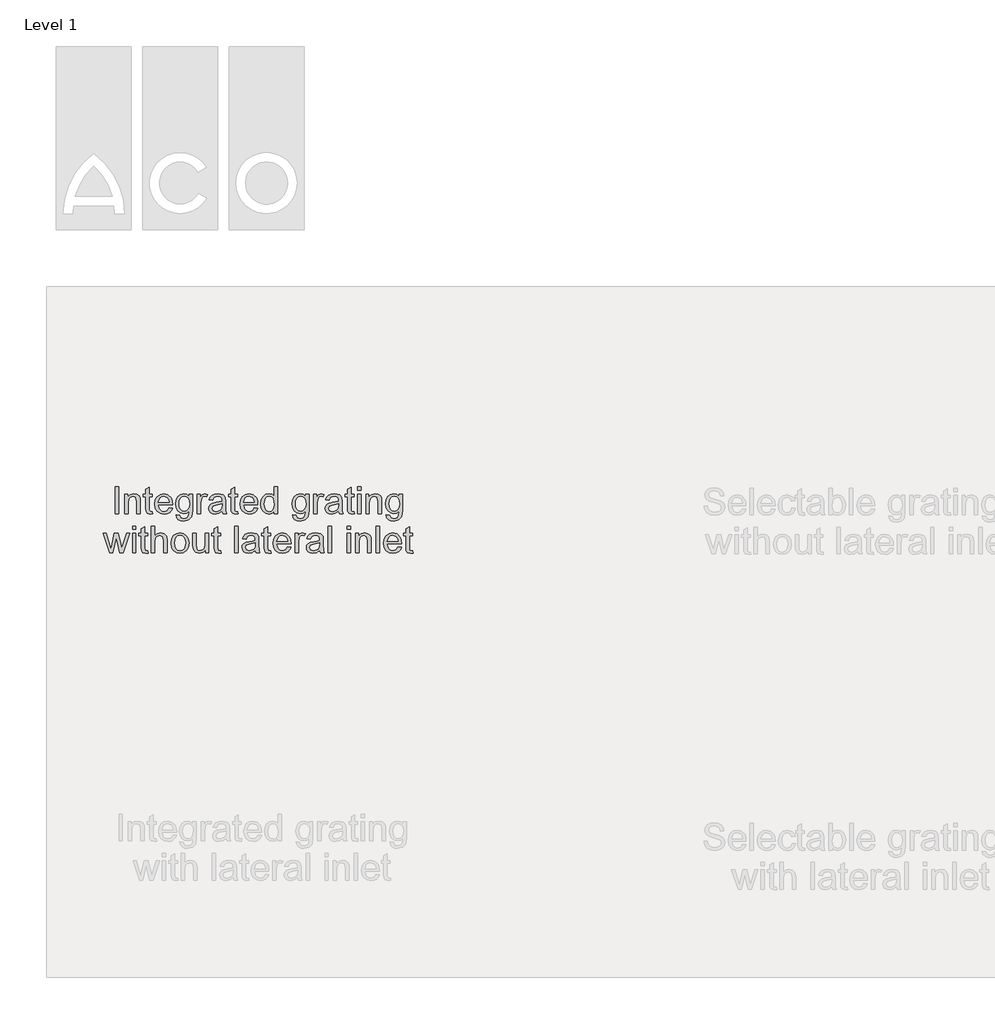
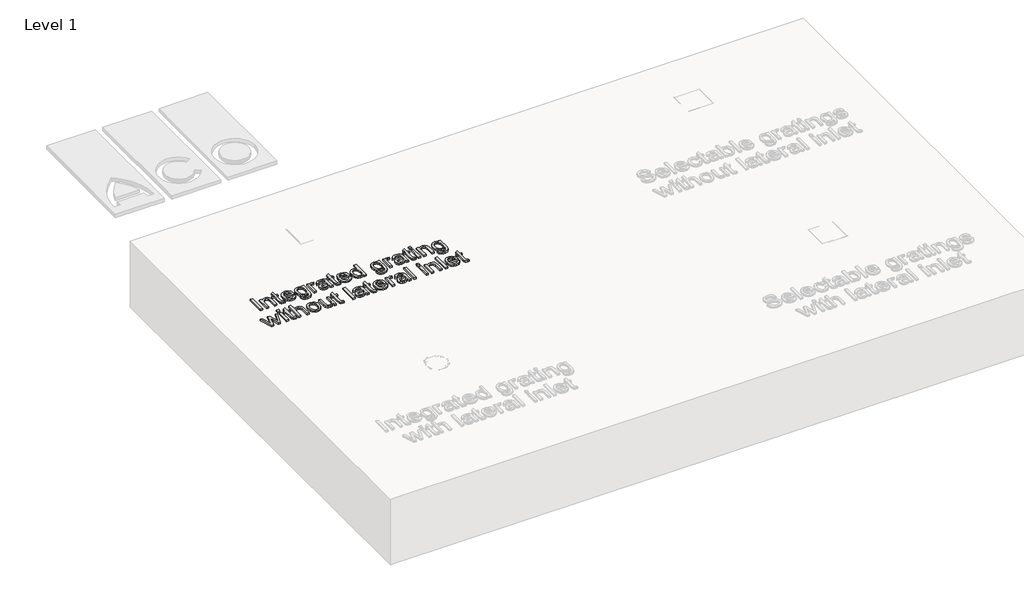
# One storey, part 3 of 5: 1 proxy.
"""IFC4 building model written with IfcOpenShell, lengths in millimetres."""

from ifc_helpers import new_model, si_unit, origin, origin_with_axes, place, context, project, spatial, polyline, outline, extrude, element, save

model = new_model("IFC4")

# Units and contexts
model_context = context("Model", 3, world=origin())
ifc_project = project(units=[si_unit("LENGTHUNIT", "METRE", prefix="MILLI")], contexts=[model_context])

# Site, building, storey
site = spatial("IfcSite", under=ifc_project)
building = spatial("IfcBuilding", under=site)
storey = spatial("IfcBuildingStorey", under=building, Name="Level 1", Elevation=0.0)

# Proxy
placement = place(None, origin())
element("IfcBuildingElementProxy", 1, Name="100mm ACO", ObjectType="100mm ACO", at=placement, inside=storey, context=model_context, shape_type="SweptSolid", body=[
    extrude(outline(polyline([(12184.6066591, 11022.9754278), (12171.6436961, 11022.9754278), (12171.6436961, 11122.9754278), (12184.6066591, 11122.9754278), (12184.6066591, 11022.9754278)])), origin_with_axes(), (0.0, 0.0, 1.0), 10.0),
    extrude(outline(polyline([(12266.0881406, 11022.9754278), (12253.1251776, 11022.9754278), (12253.1251776, 11067.9407056), (12249.2623304, 11083.5367704), (12238.5129091, 11087.7902426), (12228.4868674, 11085.0703352), (12221.7739044, 11077.4025112), (12219.7918443, 11063.3978815), (12219.7918443, 11022.9754278), (12206.8288813, 11022.9754278), (12206.8288813, 11095.19765), (12217.9399924, 11095.19765), (12217.9399924, 11085.1571408), (12227.8358257, 11094.0836454), (12241.0881406, 11097.0495019), (12252.4596683, 11094.9951037), (12261.2559646, 11088.8463769), (12265.2634878, 11080.107951), (12266.0881406, 11067.5645482), (12266.0881406, 11022.9754278)])), origin_with_axes(), (0.0, 0.0, 1.0), 10.0),
    extrude(outline(polyline([(12312.3844369, 11021.9626963), (12303.2987887, 11021.123576), (12291.710247, 11024.0026269), (12287.2686961, 11031.3087612), (12286.4585109, 11043.63515), (12286.4585109, 11085.9383908), (12277.1992517, 11085.9383908), (12277.1992517, 11095.19765), (12286.4585109, 11095.19765), (12286.4585109, 11113.5425574), (12299.4214739, 11121.123576), (12299.4214739, 11095.19765), (12310.532585, 11095.19765), (12310.532585, 11085.9383908), (12299.4214739, 11085.9383908), (12299.4214739, 11041.0309834), (12300.4631406, 11032.8133908), (12305.7582794, 11030.3828352), (12310.7930017, 11030.3828352), (12312.3844369, 11021.9626963)])), origin_with_axes(), (0.0, 0.0, 1.0), 10.0),
    extrude(outline(polyline([(12386.4585109, 11056.3087612), (12332.7548072, 11056.3087612), (12334.8272899, 11045.1831824), (12339.5401081, 11037.0379278), (12346.3217922, 11032.0466084), (12354.600872, 11030.3828352), (12366.2762193, 11034.0720713), (12373.495548, 11045.19765), (12386.4585109, 11043.6930204), (12382.0820642, 11034.0720713), (12375.1448535, 11026.9684834), (12365.9000619, 11022.5848028), (12354.600872, 11021.123576), (12340.0139218, 11023.6300864), (12329.0077007, 11031.1496176), (12322.0958084, 11043.0094267), (12319.7918443, 11058.5367704), (12322.0126197, 11074.0749649), (12328.6749461, 11086.3724186), (12339.3737308, 11094.3802311), (12353.7038813, 11097.0495019), (12368.9237887, 11093.5917473), (12381.3514507, 11081.8151269), (12385.1817459, 11071.2791026), (12386.4585109, 11056.3087612)]), holes=[polyline([(12373.495548, 11065.5680204), (12371.4122146, 11075.7242704), (12366.6668443, 11082.5819093), (12353.3855943, 11087.7902426), (12345.5296915, 11086.2422102), (12339.2073535, 11081.598113), (12332.7548072, 11065.5680204), (12373.495548, 11065.5680204)])]), origin_with_axes(), (0.0, 0.0, 1.0), 10.0),
    extrude(outline(polyline([(12460.532585, 11033.623576), (12457.479923, 11010.9817936), (12446.6147609, 10999.3498491), (12427.9515665, 10995.19765), (12416.7355653, 10996.6046234), (12407.5667285, 11000.8255436), (12401.4577875, 11008.2510355), (12399.4214739, 11019.2717241), (12412.3844369, 11017.217326), (12416.9561961, 11007.6542473), (12428.1541128, 11004.4569093), (12441.464298, 11008.1461454), (12446.6292285, 11017.1305204), (12447.569622, 11031.7427889), (12438.7950271, 11025.1672681), (12427.9805017, 11022.9754278), (12415.5890086, 11025.5868283), (12405.9029554, 11033.4210297), (12399.6529554, 11045.233819), (12397.569622, 11059.7809834), (12399.5516822, 11074.4221871), (12405.4978628, 11086.4013537), (12414.9452007, 11094.3874649), (12427.4307331, 11097.0495019), (12438.5056753, 11094.6695829), (12447.3092054, 11087.529826), (12447.569622, 11095.19765), (12460.532585, 11095.19765), (12460.532585, 11033.623576)]), holes=[polyline([(12429.9191591, 11032.2346871), (12437.131254, 11033.8405899), (12443.4897609, 11038.6582982), (12447.9385456, 11047.2520482), (12449.4214739, 11060.186076), (12448.0072667, 11071.973547), (12443.7646452, 11080.6577195), (12437.4386903, 11086.0071118), (12429.7744831, 11087.7902426), (12422.0524056, 11085.9637091), (12415.9000619, 11080.4841084), (12411.8744542, 11071.8288711), (12410.532585, 11060.4754278), (12411.9395584, 11047.7584139), (12416.1604785, 11039.0055204), (12422.4140954, 11033.9273954), (12429.9191591, 11032.2346871)])]), origin_with_axes(), (0.0, 0.0, 1.0), 10.0),
    extrude(outline(polyline([(12517.9399924, 11094.2138537), (12513.8890665, 11085.9383908), (12505.382122, 11087.7902426), (12499.5878512, 11086.1626385), (12495.3994831, 11081.279826), (12492.0140665, 11063.0506593), (12492.0140665, 11022.9754278), (12479.0511035, 11022.9754278), (12479.0511035, 11095.19765), (12490.1622146, 11095.19765), (12490.1622146, 11084.4916315), (12497.0921915, 11093.9100343), (12505.526798, 11097.0495019), (12517.9399924, 11094.2138537)])), origin_with_axes(), (0.0, 0.0, 1.0), 10.0),
    extrude(outline(polyline([(12588.3103628, 11022.9754278), (12575.3473998, 11022.9754278), (12571.6436961, 11031.7138537), (12559.1509299, 11023.7711454), (12545.688835, 11021.123576), (12535.7025792, 11022.5703352), (12528.0817748, 11026.910613), (12523.2532158, 11033.623576), (12521.6436961, 11042.1883908), (12523.2206637, 11050.4964058), (12527.9515665, 11057.1912843), (12536.5814855, 11062.0849475), (12549.8555017, 11064.9893167), (12561.1980943, 11066.7254278), (12571.6436961, 11069.2717241), (12571.3109415, 11077.301238), (12569.3722841, 11082.1768167), (12564.2073535, 11086.2422102), (12554.6298072, 11087.7902426), (12542.5493674, 11084.650775), (12536.4585109, 11072.9754278), (12523.495548, 11074.566863), (12527.0509588, 11084.3758908), (12533.7241359, 11091.4071408), (12543.5078454, 11095.6389116), (12556.3948535, 11097.0495019), (12575.6512193, 11093.1866547), (12583.2033026, 11083.869525), (12584.6066591, 11069.8214926), (12584.6066591, 11053.2995019), (12585.1564276, 11033.0448723), (12588.3103628, 11022.9754278)]), holes=[polyline([(12571.6436961, 11055.3828352), (12571.6436961, 11060.0124649), (12548.3653396, 11054.6883908), (12538.0463292, 11050.6302311), (12534.6066591, 11042.3909371), (12538.3103628, 11033.7682519), (12548.9874461, 11030.3828352), (12564.8005248, 11036.0541315), (12569.9329033, 11043.7219556), (12571.6436961, 11055.3828352)])]), origin_with_axes(), (0.0, 0.0, 1.0), 10.0),
    extrude(outline(polyline([(12630.9029554, 11021.9626963), (12621.8173072, 11021.123576), (12610.2287656, 11024.0026269), (12605.7872146, 11031.3087612), (12604.9770294, 11043.63515), (12604.9770294, 11085.9383908), (12595.7177702, 11085.9383908), (12595.7177702, 11095.19765), (12604.9770294, 11095.19765), (12604.9770294, 11113.5425574), (12617.9399924, 11121.123576), (12617.9399924, 11095.19765), (12629.0511035, 11095.19765), (12629.0511035, 11085.9383908), (12617.9399924, 11085.9383908), (12617.9399924, 11041.0309834), (12618.9816591, 11032.8133908), (12624.276798, 11030.3828352), (12629.3115202, 11030.3828352), (12630.9029554, 11021.9626963)])), origin_with_axes(), (0.0, 0.0, 1.0), 10.0),
    extrude(outline(polyline([(12704.9770294, 11056.3087612), (12651.2733257, 11056.3087612), (12653.3458084, 11045.1831824), (12658.0586267, 11037.0379278), (12664.8403107, 11032.0466084), (12673.1193906, 11030.3828352), (12684.7947378, 11034.0720713), (12692.0140665, 11045.19765), (12704.9770294, 11043.6930204), (12700.6005827, 11034.0720713), (12693.663372, 11026.9684834), (12684.4185804, 11022.5848028), (12673.1193906, 11021.123576), (12658.5324403, 11023.6300864), (12647.5262193, 11031.1496176), (12640.6143269, 11043.0094267), (12638.3103628, 11058.5367704), (12640.5311382, 11074.0749649), (12647.1934646, 11086.3724186), (12657.8922494, 11094.3802311), (12672.2223998, 11097.0495019), (12687.4423072, 11093.5917473), (12699.8699693, 11081.8151269), (12703.7002644, 11071.2791026), (12704.9770294, 11056.3087612)]), holes=[polyline([(12692.0140665, 11065.5680204), (12689.9307331, 11075.7242704), (12685.1853628, 11082.5819093), (12671.9041128, 11087.7902426), (12664.04821, 11086.2422102), (12657.725872, 11081.598113), (12651.2733257, 11065.5680204), (12692.0140665, 11065.5680204)])]), origin_with_axes(), (0.0, 0.0, 1.0), 10.0),
    extrude(outline(polyline([(12779.0511035, 11022.9754278), (12766.0881406, 11022.9754278), (12766.0881406, 11031.13515), (12757.7331058, 11023.6264695), (12746.3543443, 11021.123576), (12734.4873014, 11023.7639116), (12724.7542285, 11031.6849186), (12718.2546625, 11043.8159949), (12716.0881406, 11059.0865389), (12718.1642401, 11074.8272797), (12724.3925387, 11086.8643167), (12734.0279554, 11094.5032056), (12746.3254091, 11097.0495019), (12757.6101313, 11094.7636223), (12765.8277239, 11087.9059834), (12766.0881406, 11122.9754278), (12779.0511035, 11122.9754278), (12779.0511035, 11022.9754278)]), holes=[polyline([(12747.8589739, 11030.3828352), (12754.9119253, 11032.0900112), (12760.7930017, 11037.2115389), (12764.7643558, 11045.8052889), (12766.0881406, 11057.9291315), (12761.241497, 11079.6883908), (12755.3423362, 11085.7647797), (12747.3381406, 11087.7902426), (12739.3918153, 11085.8081824), (12733.6662656, 11079.8620019), (12729.0511035, 11059.0576037), (12731.5395294, 11043.3023954), (12738.4839739, 11033.623576), (12747.8589739, 11030.3828352)])]), origin_with_axes(), (0.0, 0.0, 1.0), 10.0),
    extrude(outline(polyline([(12895.7177702, 11033.623576), (12892.6651081, 11010.9817936), (12881.7999461, 10999.3498491), (12863.1367517, 10995.19765), (12851.9207505, 10996.6046234), (12842.7519137, 11000.8255436), (12836.6429727, 11008.2510355), (12834.6066591, 11019.2717241), (12847.569622, 11017.217326), (12852.1413813, 11007.6542473), (12863.339298, 11004.4569093), (12876.6494831, 11008.1461454), (12881.8144137, 11017.1305204), (12882.7548072, 11031.7427889), (12873.9802123, 11025.1672681), (12863.1656869, 11022.9754278), (12850.7741938, 11025.5868283), (12841.0881406, 11033.4210297), (12834.8381406, 11045.233819), (12832.7548072, 11059.7809834), (12834.7368674, 11074.4221871), (12840.683048, 11086.4013537), (12850.1303859, 11094.3874649), (12862.6159183, 11097.0495019), (12873.6908605, 11094.6695829), (12882.4943906, 11087.529826), (12882.7548072, 11095.19765), (12895.7177702, 11095.19765), (12895.7177702, 11033.623576)]), holes=[polyline([(12865.1043443, 11032.2346871), (12872.3164392, 11033.8405899), (12878.6749461, 11038.6582982), (12883.1237308, 11047.2520482), (12884.6066591, 11060.186076), (12883.1924519, 11071.973547), (12878.9498304, 11080.6577195), (12872.6238755, 11086.0071118), (12864.9596683, 11087.7902426), (12857.2375908, 11085.9637091), (12851.085247, 11080.4841084), (12847.0596394, 11071.8288711), (12845.7177702, 11060.4754278), (12847.1247436, 11047.7584139), (12851.3456637, 11039.0055204), (12857.5992806, 11033.9273954), (12865.1043443, 11032.2346871)])]), origin_with_axes(), (0.0, 0.0, 1.0), 10.0),
    extrude(outline(polyline([(12953.1251776, 11094.2138537), (12949.0742517, 11085.9383908), (12940.5673072, 11087.7902426), (12934.7730364, 11086.1626385), (12930.5846683, 11081.279826), (12927.1992517, 11063.0506593), (12927.1992517, 11022.9754278), (12914.2362887, 11022.9754278), (12914.2362887, 11095.19765), (12925.3473998, 11095.19765), (12925.3473998, 11084.4916315), (12932.2773767, 11093.9100343), (12940.7119831, 11097.0495019), (12953.1251776, 11094.2138537)])), origin_with_axes(), (0.0, 0.0, 1.0), 10.0),
    extrude(outline(polyline([(13023.495548, 11022.9754278), (13010.532585, 11022.9754278), (13006.8288813, 11031.7138537), (12994.3361151, 11023.7711454), (12980.8740202, 11021.123576), (12970.8877644, 11022.5703352), (12963.26696, 11026.910613), (12958.438401, 11033.623576), (12956.8288813, 11042.1883908), (12958.4058489, 11050.4964058), (12963.1367517, 11057.1912843), (12971.7666706, 11062.0849475), (12985.0406869, 11064.9893167), (12996.3832794, 11066.7254278), (13006.8288813, 11069.2717241), (13006.4961267, 11077.301238), (13004.5574693, 11082.1768167), (12999.3925387, 11086.2422102), (12989.8149924, 11087.7902426), (12977.7345526, 11084.650775), (12971.6436961, 11072.9754278), (12958.6807331, 11074.566863), (12962.236144, 11084.3758908), (12968.9093211, 11091.4071408), (12978.6930306, 11095.6389116), (12991.5800387, 11097.0495019), (13010.8364044, 11093.1866547), (13018.3884878, 11083.869525), (13019.7918443, 11069.8214926), (13019.7918443, 11053.2995019), (13020.3416128, 11033.0448723), (13023.495548, 11022.9754278)]), holes=[polyline([(13006.8288813, 11055.3828352), (13006.8288813, 11060.0124649), (12983.5505248, 11054.6883908), (12973.2315144, 11050.6302311), (12969.7918443, 11042.3909371), (12973.495548, 11033.7682519), (12984.1726313, 11030.3828352), (12999.98571, 11036.0541315), (13005.1180885, 11043.7219556), (13006.8288813, 11055.3828352)])]), origin_with_axes(), (0.0, 0.0, 1.0), 10.0),
    extrude(outline(polyline([(13066.0881406, 11021.9626963), (13057.0024924, 11021.123576), (13045.4139507, 11024.0026269), (13040.9723998, 11031.3087612), (13040.1622146, 11043.63515), (13040.1622146, 11085.9383908), (13030.9029554, 11085.9383908), (13030.9029554, 11095.19765), (13040.1622146, 11095.19765), (13040.1622146, 11113.5425574), (13053.1251776, 11121.123576), (13053.1251776, 11095.19765), (13064.2362887, 11095.19765), (13064.2362887, 11085.9383908), (13053.1251776, 11085.9383908), (13053.1251776, 11041.0309834), (13054.1668443, 11032.8133908), (13059.4619831, 11030.3828352), (13064.4967054, 11030.3828352), (13066.0881406, 11021.9626963)])), origin_with_axes(), (0.0, 0.0, 1.0), 10.0),
    extrude(outline(polyline([(13090.1622146, 11022.9754278), (13077.1992517, 11022.9754278), (13077.1992517, 11095.19765), (13090.1622146, 11095.19765), (13090.1622146, 11022.9754278)])), origin_with_axes(), (0.0, 0.0, 1.0), 10.0),
    extrude(outline(polyline([(13090.1622146, 11110.0124649), (13077.1992517, 11110.0124649), (13077.1992517, 11122.9754278), (13090.1622146, 11122.9754278), (13090.1622146, 11110.0124649)])), origin_with_axes(), (0.0, 0.0, 1.0), 10.0),
    extrude(outline(polyline([(13167.9399924, 11022.9754278), (13154.9770294, 11022.9754278), (13154.9770294, 11067.9407056), (13151.1141822, 11083.5367704), (13140.3647609, 11087.7902426), (13130.3387193, 11085.0703352), (13123.6257563, 11077.4025112), (13121.6436961, 11063.3978815), (13121.6436961, 11022.9754278), (13108.6807331, 11022.9754278), (13108.6807331, 11095.19765), (13119.7918443, 11095.19765), (13119.7918443, 11085.1571408), (13129.6876776, 11094.0836454), (13142.9399924, 11097.0495019), (13154.3115202, 11094.9951037), (13163.1078165, 11088.8463769), (13167.1153396, 11080.107951), (13167.9399924, 11067.5645482), (13167.9399924, 11022.9754278)])), origin_with_axes(), (0.0, 0.0, 1.0), 10.0),
    extrude(outline(polyline([(13245.7177702, 11033.623576), (13242.6651081, 11010.9817936), (13231.7999461, 10999.3498491), (13213.1367517, 10995.19765), (13201.9207505, 10996.6046234), (13192.7519137, 11000.8255436), (13186.6429727, 11008.2510355), (13184.6066591, 11019.2717241), (13197.569622, 11017.217326), (13202.1413813, 11007.6542473), (13213.339298, 11004.4569093), (13226.6494831, 11008.1461454), (13231.8144137, 11017.1305204), (13232.7548072, 11031.7427889), (13223.9802123, 11025.1672681), (13213.1656869, 11022.9754278), (13200.7741938, 11025.5868283), (13191.0881406, 11033.4210297), (13184.8381406, 11045.233819), (13182.7548072, 11059.7809834), (13184.7368674, 11074.4221871), (13190.683048, 11086.4013537), (13200.1303859, 11094.3874649), (13212.6159183, 11097.0495019), (13223.6908605, 11094.6695829), (13232.4943906, 11087.529826), (13232.7548072, 11095.19765), (13245.7177702, 11095.19765), (13245.7177702, 11033.623576)]), holes=[polyline([(13215.1043443, 11032.2346871), (13222.3164392, 11033.8405899), (13228.6749461, 11038.6582982), (13233.1237308, 11047.2520482), (13234.6066591, 11060.186076), (13233.1924519, 11071.973547), (13228.9498304, 11080.6577195), (13222.6238755, 11086.0071118), (13214.9596683, 11087.7902426), (13207.2375908, 11085.9637091), (13201.085247, 11080.4841084), (13197.0596394, 11071.8288711), (13195.7177702, 11060.4754278), (13197.1247436, 11047.7584139), (13201.3456637, 11039.0055204), (13207.5992806, 11033.9273954), (13215.1043443, 11032.2346871)])]), origin_with_axes(), (0.0, 0.0, 1.0), 10.0),
    extrude(outline(polyline([(12225.8103628, 10948.9013537), (12201.620548, 10876.6791315), (12189.3520294, 10876.6791315), (12178.8485572, 10920.0819093), (12177.5320063, 10925.9412843), (12176.2733257, 10932.3504278), (12163.5129091, 10876.6791315), (12151.2443906, 10876.6791315), (12126.7362887, 10948.9013537), (12138.2814276, 10948.9013537), (12155.9029554, 10891.6675574), (12158.0152239, 10901.4187149), (12169.0684646, 10948.9013537), (12183.5649924, 10948.9013537), (12192.3323535, 10911.0251963), (12196.4122146, 10893.2300574), (12214.2362887, 10948.9013537), (12225.8103628, 10948.9013537)])), origin_with_axes(), (0.0, 0.0, 1.0), 10.0),
    extrude(outline(polyline([(12249.4214739, 10876.6791315), (12236.4585109, 10876.6791315), (12236.4585109, 10948.9013537), (12249.4214739, 10948.9013537), (12249.4214739, 10876.6791315)])), origin_with_axes(), (0.0, 0.0, 1.0), 10.0),
    extrude(outline(polyline([(12249.4214739, 10963.7161686), (12236.4585109, 10963.7161686), (12236.4585109, 10976.6791315), (12249.4214739, 10976.6791315), (12249.4214739, 10963.7161686)])), origin_with_axes(), (0.0, 0.0, 1.0), 10.0),
    extrude(outline(polyline([(12295.7177702, 10875.6664), (12286.632122, 10874.8272797), (12275.0435804, 10877.7063306), (12270.6020294, 10885.0124649), (12269.7918443, 10897.3388537), (12269.7918443, 10939.6420945), (12260.532585, 10939.6420945), (12260.532585, 10948.9013537), (12269.7918443, 10948.9013537), (12269.7918443, 10967.2462612), (12282.7548072, 10974.8272797), (12282.7548072, 10948.9013537), (12293.8659183, 10948.9013537), (12293.8659183, 10939.6420945), (12282.7548072, 10939.6420945), (12282.7548072, 10894.7346871), (12283.7964739, 10886.5170945), (12289.0916128, 10884.0865389), (12294.126335, 10884.0865389), (12295.7177702, 10875.6664)])), origin_with_axes(), (0.0, 0.0, 1.0), 10.0),
    extrude(outline(polyline([(12366.0881406, 10876.6791315), (12353.1251776, 10876.6791315), (12353.1251776, 10923.3805204), (12349.4359415, 10936.9655899), (12338.4261035, 10941.4939463), (12325.4920757, 10936.1554047), (12321.2169021, 10928.722679), (12319.7918443, 10917.1015852), (12319.7918443, 10876.6791315), (12306.8288813, 10876.6791315), (12306.8288813, 10976.6791315), (12319.7918443, 10976.6791315), (12319.7918443, 10940.8573723), (12329.4923651, 10948.2792473), (12341.3485572, 10950.7532056), (12354.6298072, 10947.8886223), (12363.5273767, 10939.0778584), (12366.0881406, 10922.5703352), (12366.0881406, 10876.6791315)])), origin_with_axes(), (0.0, 0.0, 1.0), 10.0),
    extrude(outline(polyline([(12414.2073535, 10950.7532056), (12427.3837135, 10948.358819), (12438.0933489, 10941.1756593), (12445.2005538, 10929.5798838), (12447.569622, 10913.94765), (12445.0052413, 10895.6750806), (12437.3120989, 10883.6814463), (12426.407151, 10877.0408213), (12414.2073535, 10874.8272797), (12401.6169311, 10877.1023086), (12390.8132563, 10883.9273954), (12383.3805306, 10895.6931651), (12380.9029554, 10912.7902426), (12383.2973419, 10929.5075459), (12390.4805017, 10941.3492704), (12401.2009878, 10948.4022218), (12414.2073535, 10950.7532056)]), holes=[polyline([(12414.2073535, 10884.0865389), (12423.0145005, 10886.0939174), (12429.4127933, 10892.1160528), (12434.6066591, 10913.2532056), (12433.1381984, 10925.5361917), (12428.7328165, 10934.3758908), (12422.1645294, 10939.7144324), (12414.2073535, 10941.4939463), (12406.094651, 10939.6891142), (12399.5806174, 10934.2746176), (12395.2945931, 10925.2866257), (12393.8659183, 10912.7613074), (12395.3199114, 10900.2793919), (12399.6818906, 10891.3058676), (12406.2212424, 10885.8913711), (12414.2073535, 10884.0865389)])]), origin_with_axes(), (0.0, 0.0, 1.0), 10.0),
    extrude(outline(polyline([(12521.6436961, 10876.6791315), (12510.532585, 10876.6791315), (12510.532585, 10887.1826037), (12500.2895294, 10877.9161107), (12487.3265665, 10874.8272797), (12473.2061961, 10878.3429047), (12464.5545757, 10888.0217241), (12462.3844369, 10904.0228815), (12462.3844369, 10948.9013537), (12475.3473998, 10948.9013537), (12475.3473998, 10907.9291315), (12476.2443906, 10893.8376963), (12480.9318906, 10886.8353815), (12489.9596683, 10884.0865389), (12502.7056174, 10889.0055204), (12507.1869542, 10896.5576037), (12508.6807331, 10909.3758908), (12508.6807331, 10948.9013537), (12521.6436961, 10948.9013537), (12521.6436961, 10876.6791315)])), origin_with_axes(), (0.0, 0.0, 1.0), 10.0),
    extrude(outline(polyline([(12567.9399924, 10875.6664), (12558.8543443, 10874.8272797), (12547.2658026, 10877.7063306), (12542.8242517, 10885.0124649), (12542.0140665, 10897.3388537), (12542.0140665, 10939.6420945), (12532.7548072, 10939.6420945), (12532.7548072, 10948.9013537), (12542.0140665, 10948.9013537), (12542.0140665, 10967.2462612), (12554.9770294, 10974.8272797), (12554.9770294, 10948.9013537), (12566.0881406, 10948.9013537), (12566.0881406, 10939.6420945), (12554.9770294, 10939.6420945), (12554.9770294, 10894.7346871), (12556.0186961, 10886.5170945), (12561.313835, 10884.0865389), (12566.3485572, 10884.0865389), (12567.9399924, 10875.6664)])), origin_with_axes(), (0.0, 0.0, 1.0), 10.0),
    extrude(outline(polyline([(12630.9029554, 10876.6791315), (12617.9399924, 10876.6791315), (12617.9399924, 10976.6791315), (12630.9029554, 10976.6791315), (12630.9029554, 10876.6791315)])), origin_with_axes(), (0.0, 0.0, 1.0), 10.0),
    extrude(outline(polyline([(12712.3844369, 10876.6791315), (12699.4214739, 10876.6791315), (12695.7177702, 10885.4175574), (12683.225004, 10877.4748491), (12669.7629091, 10874.8272797), (12659.7766533, 10876.2740389), (12652.1558489, 10880.6143167), (12647.3272899, 10887.3272797), (12645.7177702, 10895.8920945), (12647.2947378, 10904.2001095), (12652.0256406, 10910.894988), (12660.6555595, 10915.7886512), (12673.9295757, 10918.6930204), (12685.2721683, 10920.4291315), (12695.7177702, 10922.9754278), (12695.3850156, 10931.0049417), (12693.4463581, 10935.8805204), (12688.2814276, 10939.9459139), (12678.7038813, 10941.4939463), (12666.6234415, 10938.3544787), (12660.532585, 10926.6791315), (12647.569622, 10928.2705667), (12651.1250329, 10938.0795945), (12657.79821, 10945.1108445), (12667.5819195, 10949.3426153), (12680.4689276, 10950.7532056), (12699.7252933, 10946.8903584), (12707.2773767, 10937.5732287), (12708.6807331, 10923.5251963), (12708.6807331, 10907.0032056), (12709.2305017, 10886.748576), (12712.3844369, 10876.6791315)]), holes=[polyline([(12695.7177702, 10909.0865389), (12695.7177702, 10913.7161686), (12672.4394137, 10908.3920945), (12662.1204033, 10904.3339348), (12658.6807331, 10896.0946408), (12662.3844369, 10887.4719556), (12673.0615202, 10884.0865389), (12688.8745989, 10889.7578352), (12694.0069774, 10897.4256593), (12695.7177702, 10909.0865389)])]), origin_with_axes(), (0.0, 0.0, 1.0), 10.0),
    extrude(outline(polyline([(12754.9770294, 10875.6664), (12745.8913813, 10874.8272797), (12734.3028396, 10877.7063306), (12729.8612887, 10885.0124649), (12729.0511035, 10897.3388537), (12729.0511035, 10939.6420945), (12719.7918443, 10939.6420945), (12719.7918443, 10948.9013537), (12729.0511035, 10948.9013537), (12729.0511035, 10967.2462612), (12742.0140665, 10974.8272797), (12742.0140665, 10948.9013537), (12753.1251776, 10948.9013537), (12753.1251776, 10939.6420945), (12742.0140665, 10939.6420945), (12742.0140665, 10894.7346871), (12743.0557331, 10886.5170945), (12748.350872, 10884.0865389), (12753.3855943, 10884.0865389), (12754.9770294, 10875.6664)])), origin_with_axes(), (0.0, 0.0, 1.0), 10.0),
    extrude(outline(polyline([(12829.0511035, 10910.0124649), (12775.3473998, 10910.0124649), (12777.4198825, 10898.8868862), (12782.1327007, 10890.7416315), (12788.9143848, 10885.7503121), (12797.1934646, 10884.0865389), (12808.8688119, 10887.775775), (12816.0881406, 10898.9013537), (12829.0511035, 10897.3967241), (12824.6746568, 10887.775775), (12817.7374461, 10880.6721871), (12808.4926544, 10876.2885065), (12797.1934646, 10874.8272797), (12782.6065144, 10877.3337901), (12771.6002933, 10884.8533213), (12764.688401, 10896.7131304), (12762.3844369, 10912.2404741), (12764.6052123, 10927.7786686), (12771.2675387, 10940.0761223), (12781.9663234, 10948.0839348), (12796.2964739, 10950.7532056), (12811.5163813, 10947.295451), (12823.9440433, 10935.5188306), (12827.7743385, 10924.9828063), (12829.0511035, 10910.0124649)]), holes=[polyline([(12816.0881406, 10919.2717241), (12814.0048072, 10929.4279741), (12809.2594369, 10936.285613), (12795.9781869, 10941.4939463), (12788.1222841, 10939.9459139), (12781.7999461, 10935.3018167), (12775.3473998, 10919.2717241), (12816.0881406, 10919.2717241)])]), origin_with_axes(), (0.0, 0.0, 1.0), 10.0),
    extrude(outline(polyline([(12882.7548072, 10947.9175574), (12878.7038813, 10939.6420945), (12870.1969369, 10941.4939463), (12864.402666, 10939.8663422), (12860.214298, 10934.9835297), (12856.8288813, 10916.754363), (12856.8288813, 10876.6791315), (12843.8659183, 10876.6791315), (12843.8659183, 10948.9013537), (12854.9770294, 10948.9013537), (12854.9770294, 10938.1953352), (12861.9070063, 10947.613738), (12870.3416128, 10950.7532056), (12882.7548072, 10947.9175574)])), origin_with_axes(), (0.0, 0.0, 1.0), 10.0),
    extrude(outline(polyline([(12953.1251776, 10876.6791315), (12940.1622146, 10876.6791315), (12936.4585109, 10885.4175574), (12923.9657447, 10877.4748491), (12910.5036498, 10874.8272797), (12900.517394, 10876.2740389), (12892.8965896, 10880.6143167), (12888.0680306, 10887.3272797), (12886.4585109, 10895.8920945), (12888.0354785, 10904.2001095), (12892.7663813, 10910.894988), (12901.3963003, 10915.7886512), (12914.6703165, 10918.6930204), (12926.0129091, 10920.4291315), (12936.4585109, 10922.9754278), (12936.1257563, 10931.0049417), (12934.1870989, 10935.8805204), (12929.0221683, 10939.9459139), (12919.444622, 10941.4939463), (12907.3641822, 10938.3544787), (12901.2733257, 10926.6791315), (12888.3103628, 10928.2705667), (12891.8657737, 10938.0795945), (12898.5389507, 10945.1108445), (12908.3226602, 10949.3426153), (12921.2096683, 10950.7532056), (12940.4660341, 10946.8903584), (12948.0181174, 10937.5732287), (12949.4214739, 10923.5251963), (12949.4214739, 10907.0032056), (12949.9712424, 10886.748576), (12953.1251776, 10876.6791315)]), holes=[polyline([(12936.4585109, 10909.0865389), (12936.4585109, 10913.7161686), (12913.1801544, 10908.3920945), (12902.861144, 10904.3339348), (12899.4214739, 10896.0946408), (12903.1251776, 10887.4719556), (12913.8022609, 10884.0865389), (12929.6153396, 10889.7578352), (12934.7477181, 10897.4256593), (12936.4585109, 10909.0865389)])]), origin_with_axes(), (0.0, 0.0, 1.0), 10.0),
    extrude(outline(polyline([(12980.9029554, 10876.6791315), (12967.9399924, 10876.6791315), (12967.9399924, 10976.6791315), (12980.9029554, 10976.6791315), (12980.9029554, 10876.6791315)])), origin_with_axes(), (0.0, 0.0, 1.0), 10.0),
    extrude(outline(polyline([(13051.2733257, 10963.7161686), (13038.3103628, 10963.7161686), (13038.3103628, 10976.6791315), (13051.2733257, 10976.6791315), (13051.2733257, 10963.7161686)])), origin_with_axes(), (0.0, 0.0, 1.0), 10.0),
    extrude(outline(polyline([(13051.2733257, 10876.6791315), (13038.3103628, 10876.6791315), (13038.3103628, 10948.9013537), (13051.2733257, 10948.9013537), (13051.2733257, 10876.6791315)])), origin_with_axes(), (0.0, 0.0, 1.0), 10.0),
    extrude(outline(polyline([(13129.0511035, 10876.6791315), (13116.0881406, 10876.6791315), (13116.0881406, 10921.6444093), (13112.2252933, 10937.2404741), (13101.475872, 10941.4939463), (13091.4498304, 10938.7740389), (13084.7368674, 10931.1062149), (13082.7548072, 10917.1015852), (13082.7548072, 10876.6791315), (13069.7918443, 10876.6791315), (13069.7918443, 10948.9013537), (13080.9029554, 10948.9013537), (13080.9029554, 10938.8608445), (13090.7987887, 10947.7873491), (13104.0511035, 10950.7532056), (13115.4226313, 10948.6988074), (13124.2189276, 10942.5500806), (13128.2264507, 10933.8116547), (13129.0511035, 10921.2682519), (13129.0511035, 10876.6791315)])), origin_with_axes(), (0.0, 0.0, 1.0), 10.0),
    extrude(outline(polyline([(13160.532585, 10876.6791315), (13147.569622, 10876.6791315), (13147.569622, 10976.6791315), (13160.532585, 10976.6791315), (13160.532585, 10876.6791315)])), origin_with_axes(), (0.0, 0.0, 1.0), 10.0),
    extrude(outline(polyline([(13242.0140665, 10910.0124649), (13188.3103628, 10910.0124649), (13190.3828454, 10898.8868862), (13195.0956637, 10890.7416315), (13201.8773477, 10885.7503121), (13210.1564276, 10884.0865389), (13221.8317748, 10887.775775), (13229.0511035, 10898.9013537), (13242.0140665, 10897.3967241), (13237.6376197, 10887.775775), (13230.7004091, 10880.6721871), (13221.4556174, 10876.2885065), (13210.1564276, 10874.8272797), (13195.5694774, 10877.3337901), (13184.5632563, 10884.8533213), (13177.6513639, 10896.7131304), (13175.3473998, 10912.2404741), (13177.5681753, 10927.7786686), (13184.2305017, 10940.0761223), (13194.9292864, 10948.0839348), (13209.2594369, 10950.7532056), (13224.4793443, 10947.295451), (13236.9070063, 10935.5188306), (13240.7373014, 10924.9828063), (13242.0140665, 10910.0124649)]), holes=[polyline([(13229.0511035, 10919.2717241), (13226.9677702, 10929.4279741), (13222.2223998, 10936.285613), (13208.9411498, 10941.4939463), (13201.085247, 10939.9459139), (13194.7629091, 10935.3018167), (13188.3103628, 10919.2717241), (13229.0511035, 10919.2717241)])]), origin_with_axes(), (0.0, 0.0, 1.0), 10.0),
    extrude(outline(polyline([(13284.6066591, 10875.6664), (13275.5210109, 10874.8272797), (13263.9324693, 10877.7063306), (13259.4909183, 10885.0124649), (13258.6807331, 10897.3388537), (13258.6807331, 10939.6420945), (13249.4214739, 10939.6420945), (13249.4214739, 10948.9013537), (13258.6807331, 10948.9013537), (13258.6807331, 10967.2462612), (13271.6436961, 10974.8272797), (13271.6436961, 10948.9013537), (13282.7548072, 10948.9013537), (13282.7548072, 10939.6420945), (13271.6436961, 10939.6420945), (13271.6436961, 10894.7346871), (13272.6853628, 10886.5170945), (13277.9805017, 10884.0865389), (13283.0152239, 10884.0865389), (13284.6066591, 10875.6664)])), origin_with_axes(), (0.0, 0.0, 1.0), 10.0),
])

save(model, "model.ifc")
